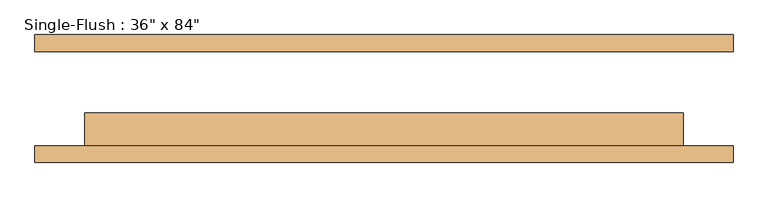
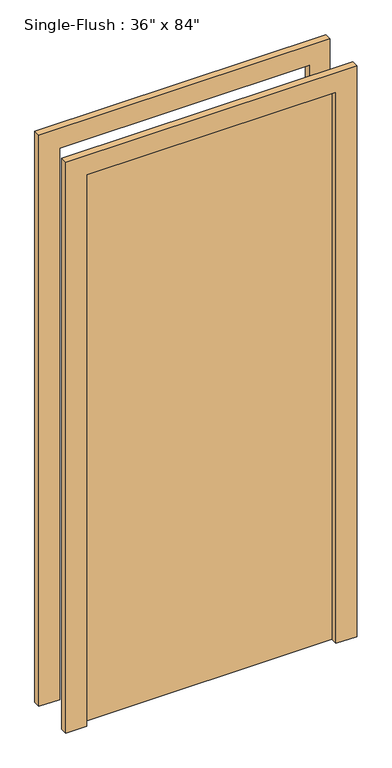
"""IFC4 building model written with IfcOpenShell, lengths in millimetres: door geometry."""

from ifc_helpers import new_model, si_unit, frame, origin, origin_with_axes, place, context, project, spatial, polyline, outline, extrude, source, transform, mapped, element, save


def door_890907e9(model_context):
    return source(origin(), model_context, "Body", "SweptSolid", [
        extrude(outline(polyline([(2209.8, -533.4), (0.0, -533.4), (0.0, -457.2), (2133.6, -457.2), (2133.6, 457.2), (0.0, 457.2), (0.0, 533.4), (2209.8, 533.4), (2209.8, -533.4)])), frame((0.0, -97.775, 0.0), z_axis=(0.0, 1.0, 0.0), x_axis=(0.0, 0.0, 1.0)), (0.0, 0.0, 1.0), 25.4),
        extrude(outline(polyline([(2209.8, 533.4), (2209.8, -533.4), (0.0, -533.4), (0.0, -457.2), (2133.6, -457.2), (2133.6, 457.2), (0.0, 457.2), (0.0, 533.4), (2209.8, 533.4)])), frame((0.0, 72.375, 0.0), z_axis=(0.0, 1.0, 0.0), x_axis=(0.0, 0.0, 1.0)), (0.0, 0.0, 1.0), 25.4),
        extrude(outline(polyline([(457.2, -21.575), (457.2, -72.375), (-457.2, -72.375), (-457.2, -21.575), (457.2, -21.575)])), origin_with_axes(), (0.0, 0.0, 1.0), 2133.6),
    ])


if __name__ == "__main__":
    model = new_model("IFC4")
    model_context = context("Model", 3, world=origin())
    ifc_project = project(units=[si_unit("LENGTHUNIT", "METRE", prefix="MILLI")], contexts=[model_context])
    site = spatial("IfcSite", under=ifc_project)
    building = spatial("IfcBuilding", under=site)
    placement = place(None, origin())
    door_shape = door_890907e9(model_context)
    element("IfcDoor", 1, ObjectType="Single-Flush : 36\" x 84\"", at=placement, inside=building, context=model_context, shape_type="MappedRepresentation", body=[
        mapped(door_shape, transform((0.0, 0.0, 0.0), x_axis=(1.0, 0.0, 0.0), y_axis=(0.0, 1.0, 0.0), z_axis=(0.0, 0.0, 1.0))),
    ])
    save(model, "model.ifc")
